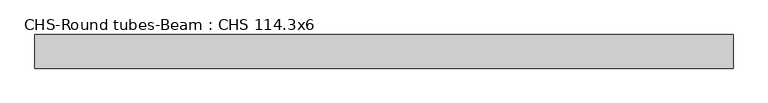
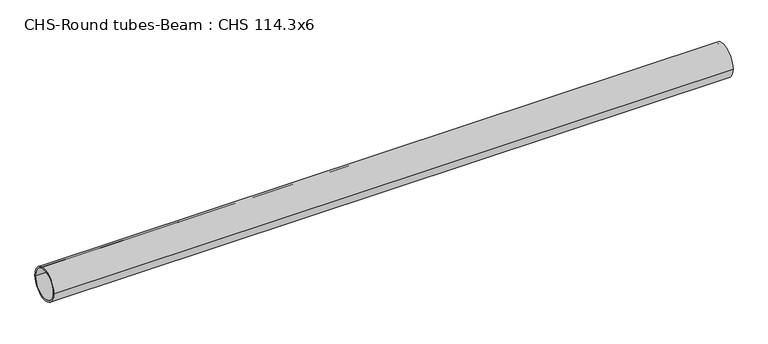
"""IFC4 building model written with IfcOpenShell, lengths in millimetres: beam geometry, CHS-Round tubes-Beam : CHS 114.3x6."""

from ifc_helpers import new_model, si_unit, point, frame, origin, origin_2d, place, context, project, spatial, circle_curve, trimmed, segment, composite_curve, outline, extrude, source, transform, mapped, element, save


def chs_round_tubes_beam_chs_114_3x6_b56a7f1d(model_context):
    return source(origin(), model_context, "Body", "SweptSolid", [
        extrude(outline(composite_curve([segment(trimmed(circle_curve(origin_2d(), 57.15), [point((57.15, 0.0))], [point((-57.15, 0.0))], False, "CARTESIAN"), True, "CONTINUOUS"), segment(trimmed(circle_curve(origin_2d(), 57.15), [point((-57.15, 0.0))], [point((57.15, 0.0))], False, "CARTESIAN"), True, "CONTINUOUS")], self_intersect=False), holes=[composite_curve([segment(trimmed(circle_curve(origin_2d(), 51.15), [point((51.15, 0.0))], [point((-51.15, 0.0))], True, "CARTESIAN"), True, "CONTINUOUS"), segment(trimmed(circle_curve(origin_2d(), 51.15), [point((-51.15, 0.0))], [point((51.15, 0.0))], True, "CARTESIAN"), True, "CONTINUOUS")], self_intersect=False)]), frame((-1138.8348088, 0.0, 0.0), z_axis=(1.0, 0.0, 0.0), x_axis=(0.0, 1.0, 0.0)), (0.0, 0.0, 1.0), 2372.4148478),
    ])


if __name__ == "__main__":
    model = new_model("IFC4")
    model_context = context("Model", 3, world=origin())
    ifc_project = project(units=[si_unit("LENGTHUNIT", "METRE", prefix="MILLI")], contexts=[model_context])
    site = spatial("IfcSite", under=ifc_project)
    building = spatial("IfcBuilding", under=site)
    placement = place(None, origin())
    chs_round_tubes_beam_chs_114_3x6_shape = chs_round_tubes_beam_chs_114_3x6_b56a7f1d(model_context)
    element("IfcBeam", 1, ObjectType="CHS-Round tubes-Beam : CHS 114.3x6", at=placement, inside=building, context=model_context, shape_type="MappedRepresentation", body=[
        mapped(chs_round_tubes_beam_chs_114_3x6_shape, transform((0.0, 0.0, 0.0), x_axis=(1.0, 0.0, 0.0), y_axis=(0.0, 1.0, 0.0), z_axis=(0.0, 0.0, 1.0))),
    ])
    save(model, "model.ifc")
